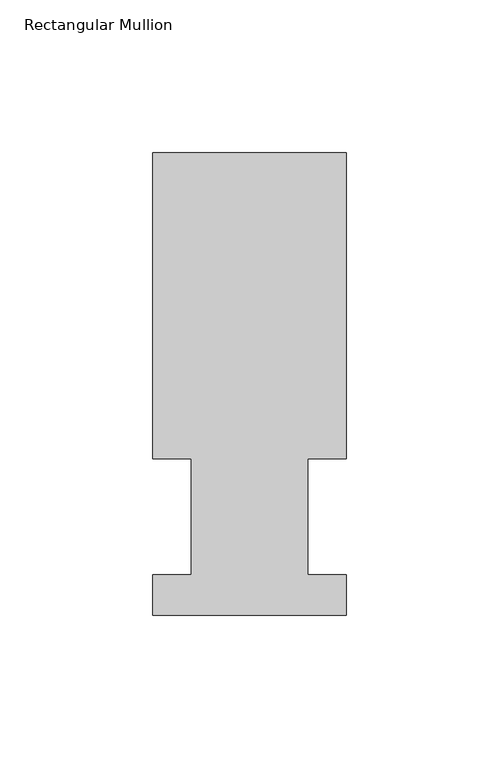
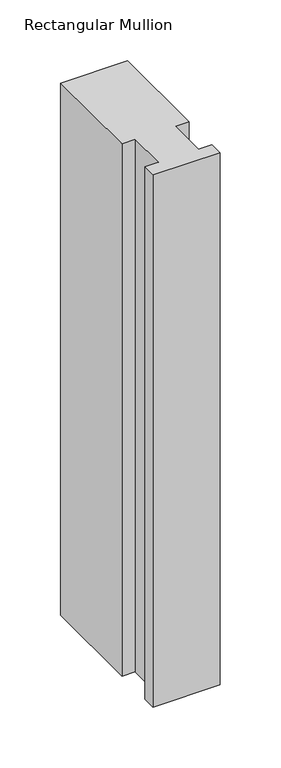
"""IFC4 building model written with IfcOpenShell, lengths in millimetres: member geometry, Rectangular Mullion."""

from ifc_helpers import new_model, si_unit, frame, origin, place, context, project, spatial, polyline, outline, extrude, source, transform, mapped, element, save


def rectangular_mullion_15532c79(model_context):
    return source(origin(), model_context, "Body", "SweptSolid", [
        extrude(outline(polyline([(0.0, 13.1960937), (0.0, 0.0134937), (-63.5000001, 0.0134937), (-63.5000001, 13.1960937), (-50.8000001, 13.1960937), (-50.8000001, 51.2960937), (-63.5, 51.2960937), (-63.5, 151.7022937), (0.0, 151.7022938), (0.0, 51.2960937), (-12.6873001, 51.2960937), (-12.6873001, 13.1960937), (0.0, 13.1960937)])), frame((0.0, 0.0, -533.4), z_axis=(0.0, 0.0, 1.0), x_axis=(1.0, 0.0, 0.0)), (0.0, 0.0, 1.0), 533.4),
    ])


if __name__ == "__main__":
    model = new_model("IFC4")
    model_context = context("Model", 3, world=origin())
    ifc_project = project(units=[si_unit("LENGTHUNIT", "METRE", prefix="MILLI")], contexts=[model_context])
    site = spatial("IfcSite", under=ifc_project)
    building = spatial("IfcBuilding", under=site)
    placement = place(None, origin())
    rectangular_mullion_shape = rectangular_mullion_15532c79(model_context)
    element("IfcMember", 1, ObjectType="Rectangular Mullion", at=placement, inside=building, context=model_context, shape_type="MappedRepresentation", body=[
        mapped(rectangular_mullion_shape, transform((0.0, 0.0, 0.0), x_axis=(1.0, 0.0, 0.0), y_axis=(0.0, 1.0, 0.0), z_axis=(0.0, 0.0, 1.0))),
    ])
    save(model, "model.ifc")
